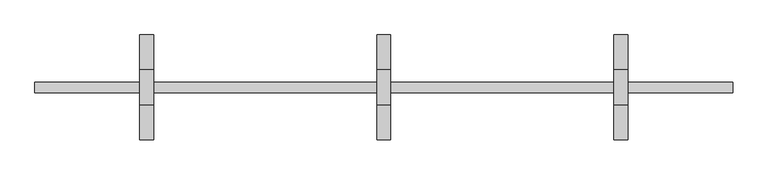
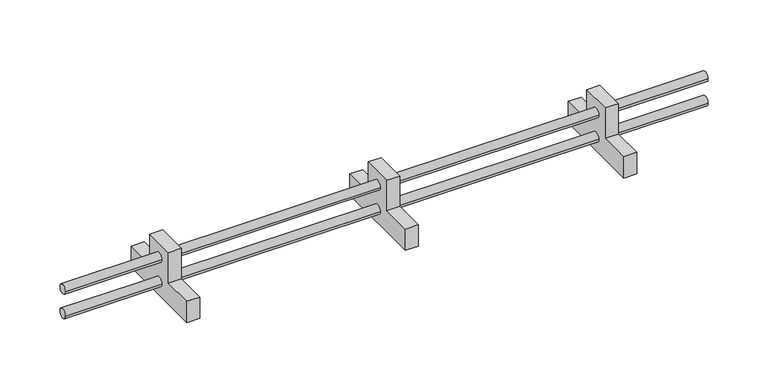
"""IFC4 building model written with IfcOpenShell, lengths in millimetres: proxy geometry."""

from ifc_helpers import new_model, si_unit, frame, origin, place, context, project, spatial, circle_curve, source, transform, mapped, element, save
from ifc_brep_helpers import plane_surface, cylinder_surface, advanced_brep


def generic_models_8f471b2d(model_context):
    return source(origin(), model_context, "Body", "AdvancedBrep", [
        advanced_brep(
        [(-1010.0, 150.0, 4123.0), (-1010.0, -150.0, 4123.0), (-1010.0, -150.0, 4193.0), (-1010.0, -50.0, 4193.0), (-1010.0, -50.0, 4293.0), (-1010.0, 50.0, 4293.0), (-1010.0, 50.0, 4193.0), (-1010.0, 150.0, 4193.0), (-1010.0, 15.0, 4248.0), (-1010.0, -15.0, 4248.0), (-1010.0, 15.0, 4168.0), (-1010.0, -15.0, 4168.0), (-970.0, 150.0, 4123.0), (-970.0, 150.0, 4193.0), (-970.0, 50.0, 4193.0), (-970.0, 50.0, 4293.0), (-970.0, -50.0, 4293.0), (-970.0, -50.0, 4193.0), (-970.0, -150.0, 4193.0), (-970.0, -150.0, 4123.0), (-970.0, -15.0, 4248.0), (-970.0, 15.0, 4248.0), (-970.0, -15.0, 4168.0), (-970.0, 15.0, 4168.0), (690.0, 15.0, 4248.0), (690.0, -15.0, 4248.0), (690.0, 15.0, 4168.0), (690.0, -15.0, 4168.0), (-1310.0, 15.0, 4248.0), (-1310.0, -15.0, 4248.0), (-1310.0, 15.0, 4168.0), (-1310.0, -15.0, 4168.0), (390.0, -15.0, 4248.0), (390.0, 15.0, 4248.0), (-330.0, 15.0, 4248.0), (-330.0, -15.0, 4248.0), (-290.0, 15.0, 4248.0), (350.0, 15.0, 4248.0), (350.0, -15.0, 4248.0), (-290.0, -15.0, 4248.0), (390.0, -15.0, 4168.0), (390.0, 15.0, 4168.0), (-330.0, 15.0, 4168.0), (-330.0, -15.0, 4168.0), (-290.0, 15.0, 4168.0), (350.0, 15.0, 4168.0), (350.0, -15.0, 4168.0), (-290.0, -15.0, 4168.0), (-290.0, 150.0, 4123.0), (-290.0, 150.0, 4193.0), (-290.0, 50.0, 4193.0), (-290.0, 50.0, 4293.0), (-290.0, -50.0, 4293.0), (-290.0, -50.0, 4193.0), (-290.0, -150.0, 4193.0), (-290.0, -150.0, 4123.0), (-330.0, 150.0, 4123.0), (-330.0, -150.0, 4123.0), (-330.0, -150.0, 4193.0), (-330.0, -50.0, 4193.0), (-330.0, -50.0, 4293.0), (-330.0, 50.0, 4293.0), (-330.0, 50.0, 4193.0), (-330.0, 150.0, 4193.0), (390.0, 150.0, 4123.0), (390.0, 150.0, 4193.0), (390.0, 50.0, 4193.0), (390.0, 50.0, 4293.0), (390.0, -50.0, 4293.0), (390.0, -50.0, 4193.0), (390.0, -150.0, 4193.0), (390.0, -150.0, 4123.0), (350.0, 150.0, 4123.0), (350.0, -150.0, 4123.0), (350.0, -150.0, 4193.0), (350.0, -50.0, 4193.0), (350.0, -50.0, 4293.0), (350.0, 50.0, 4293.0), (350.0, 50.0, 4193.0), (350.0, 150.0, 4193.0)],
        [
            (0, 1),
            (1, 2),
            (2, 3),
            (3, 4),
            (4, 5),
            (5, 6),
            (6, 7),
            (7, 0),
            (8, 9, circle_curve(frame((-1010.0, 0.0, 4248.0), z_axis=(1.0, 0.0, 0.0), x_axis=(0.0, -1.0, 0.0)), 15.0)),
            (9, 8, circle_curve(frame((-1010.0, 0.0, 4248.0), z_axis=(1.0, 0.0, 0.0), x_axis=(0.0, -1.0, 0.0)), 15.0)),
            (10, 11, circle_curve(frame((-1010.0, 0.0, 4168.0), z_axis=(1.0, 0.0, 0.0), x_axis=(0.0, -1.0, 0.0)), 15.0)),
            (11, 10, circle_curve(frame((-1010.0, 0.0, 4168.0), z_axis=(1.0, 0.0, 0.0), x_axis=(0.0, -1.0, 0.0)), 15.0)),
            (12, 13),
            (13, 14),
            (14, 15),
            (15, 16),
            (16, 17),
            (17, 18),
            (18, 19),
            (19, 12),
            (20, 21, circle_curve(frame((-970.0, 0.0, 4248.0), z_axis=(-1.0, 0.0, 0.0), x_axis=(0.0, -1.0, 0.0)), 15.0)),
            (21, 20, circle_curve(frame((-970.0, 0.0, 4248.0), z_axis=(-1.0, 0.0, 0.0), x_axis=(0.0, -1.0, 0.0)), 15.0)),
            (22, 23, circle_curve(frame((-970.0, 0.0, 4168.0), z_axis=(-1.0, 0.0, 0.0), x_axis=(0.0, -1.0, 0.0)), 15.0)),
            (23, 22, circle_curve(frame((-970.0, 0.0, 4168.0), z_axis=(-1.0, 0.0, 0.0), x_axis=(0.0, -1.0, 0.0)), 15.0)),
            (7, 13),
            (12, 0),
            (6, 14),
            (5, 15),
            (4, 16),
            (3, 17),
            (2, 18),
            (1, 19),
            (24, 25, circle_curve(frame((690.0, 0.0, 4248.0), z_axis=(1.0, 0.0, 0.0), x_axis=(0.0, -1.0, 0.0)), 15.0)),
            (25, 24, circle_curve(frame((690.0, 0.0, 4248.0), z_axis=(1.0, 0.0, 0.0), x_axis=(0.0, -1.0, 0.0)), 15.0)),
            (26, 27, circle_curve(frame((690.0, 0.0, 4168.0), z_axis=(1.0, 0.0, 0.0), x_axis=(0.0, -1.0, 0.0)), 15.0)),
            (27, 26, circle_curve(frame((690.0, 0.0, 4168.0), z_axis=(1.0, 0.0, 0.0), x_axis=(0.0, -1.0, 0.0)), 15.0)),
            (28, 29, circle_curve(frame((-1310.0, 0.0, 4248.0), z_axis=(-1.0, 0.0, 0.0), x_axis=(0.0, -1.0, 0.0)), 15.0)),
            (29, 28, circle_curve(frame((-1310.0, 0.0, 4248.0), z_axis=(-1.0, 0.0, 0.0), x_axis=(0.0, -1.0, 0.0)), 15.0)),
            (30, 31, circle_curve(frame((-1310.0, 0.0, 4168.0), z_axis=(-1.0, 0.0, 0.0), x_axis=(0.0, -1.0, 0.0)), 15.0)),
            (31, 30, circle_curve(frame((-1310.0, 0.0, 4168.0), z_axis=(-1.0, 0.0, 0.0), x_axis=(0.0, -1.0, 0.0)), 15.0)),
            (25, 32),
            (32, 33, circle_curve(frame((390.0, 0.0, 4248.0), z_axis=(1.0, 0.0, 0.0), x_axis=(0.0, -1.0, 0.0)), 15.0)),
            (33, 24),
            (28, 8),
            (9, 29),
            (21, 34),
            (34, 35, circle_curve(frame((-330.0, 0.0, 4248.0), z_axis=(-1.0, 0.0, 0.0), x_axis=(0.0, -1.0, 0.0)), 15.0)),
            (35, 20),
            (36, 37),
            (37, 38, circle_curve(frame((350.0, 0.0, 4248.0), z_axis=(-1.0, 0.0, 0.0), x_axis=(0.0, -1.0, 0.0)), 15.0)),
            (38, 39),
            (39, 36, circle_curve(frame((-290.0, 0.0, 4248.0), z_axis=(1.0, 0.0, 0.0), x_axis=(0.0, -1.0, 0.0)), 15.0)),
            (33, 32, circle_curve(frame((390.0, 0.0, 4248.0), z_axis=(1.0, 0.0, 0.0), x_axis=(0.0, -1.0, 0.0)), 15.0)),
            (35, 34, circle_curve(frame((-330.0, 0.0, 4248.0), z_axis=(-1.0, 0.0, 0.0), x_axis=(0.0, -1.0, 0.0)), 15.0)),
            (38, 37, circle_curve(frame((350.0, 0.0, 4248.0), z_axis=(-1.0, 0.0, 0.0), x_axis=(0.0, -1.0, 0.0)), 15.0)),
            (36, 39, circle_curve(frame((-290.0, 0.0, 4248.0), z_axis=(1.0, 0.0, 0.0), x_axis=(0.0, -1.0, 0.0)), 15.0)),
            (27, 40),
            (40, 41, circle_curve(frame((390.0, 0.0, 4168.0), z_axis=(1.0, 0.0, 0.0), x_axis=(0.0, -1.0, 0.0)), 15.0)),
            (41, 26),
            (30, 10),
            (11, 31),
            (23, 42),
            (42, 43, circle_curve(frame((-330.0, 0.0, 4168.0), z_axis=(-1.0, 0.0, 0.0), x_axis=(0.0, -1.0, 0.0)), 15.0)),
            (43, 22),
            (44, 45),
            (45, 46, circle_curve(frame((350.0, 0.0, 4168.0), z_axis=(-1.0, 0.0, 0.0), x_axis=(0.0, -1.0, 0.0)), 15.0)),
            (46, 47),
            (47, 44, circle_curve(frame((-290.0, 0.0, 4168.0), z_axis=(1.0, 0.0, 0.0), x_axis=(0.0, -1.0, 0.0)), 15.0)),
            (41, 40, circle_curve(frame((390.0, 0.0, 4168.0), z_axis=(1.0, 0.0, 0.0), x_axis=(0.0, -1.0, 0.0)), 15.0)),
            (43, 42, circle_curve(frame((-330.0, 0.0, 4168.0), z_axis=(-1.0, 0.0, 0.0), x_axis=(0.0, -1.0, 0.0)), 15.0)),
            (46, 45, circle_curve(frame((350.0, 0.0, 4168.0), z_axis=(-1.0, 0.0, 0.0), x_axis=(0.0, -1.0, 0.0)), 15.0)),
            (44, 47, circle_curve(frame((-290.0, 0.0, 4168.0), z_axis=(1.0, 0.0, 0.0), x_axis=(0.0, -1.0, 0.0)), 15.0)),
            (48, 49),
            (49, 50),
            (50, 51),
            (51, 52),
            (52, 53),
            (53, 54),
            (54, 55),
            (55, 48),
            (56, 57),
            (57, 58),
            (58, 59),
            (59, 60),
            (60, 61),
            (61, 62),
            (62, 63),
            (63, 56),
            (55, 57),
            (56, 48),
            (54, 58),
            (53, 59),
            (52, 60),
            (51, 61),
            (50, 62),
            (49, 63),
            (64, 65),
            (65, 66),
            (66, 67),
            (67, 68),
            (68, 69),
            (69, 70),
            (70, 71),
            (71, 64),
            (72, 73),
            (73, 74),
            (74, 75),
            (75, 76),
            (76, 77),
            (77, 78),
            (78, 79),
            (79, 72),
            (71, 73),
            (72, 64),
            (70, 74),
            (69, 75),
            (68, 76),
            (67, 77),
            (66, 78),
            (65, 79),
        ],
        [
            plane_surface(frame((-1010.0, 150.0, 4123.0), z_axis=(-1.0, 0.0, 0.0), x_axis=(0.0, 0.0, 1.0))),
            plane_surface(frame((-970.0, 150.0, 4123.0), z_axis=(1.0, 0.0, 0.0), x_axis=(0.0, 0.0, -1.0))),
            plane_surface(frame((-1010.0, 150.0, 4123.0), z_axis=(0.0, 1.0, 0.0), x_axis=(1.0, 0.0, 0.0))),
            plane_surface(frame((-1010.0, 150.0, 4193.0), z_axis=(0.0, 0.0, 1.0), x_axis=(1.0, 0.0, 0.0))),
            plane_surface(frame((-1010.0, 50.0, 4193.0), z_axis=(0.0, 1.0, 0.0), x_axis=(1.0, 0.0, 0.0))),
            plane_surface(frame((-1010.0, 50.0, 4293.0), z_axis=(0.0, 0.0, 1.0), x_axis=(1.0, 0.0, 0.0))),
            plane_surface(frame((-1010.0, -50.0, 4293.0), z_axis=(0.0, -1.0, 0.0), x_axis=(1.0, 0.0, 0.0))),
            plane_surface(frame((-1010.0, -50.0, 4193.0), z_axis=(0.0, 0.0, 1.0), x_axis=(1.0, 0.0, 0.0))),
            plane_surface(frame((-1010.0, -150.0, 4193.0), z_axis=(0.0, -1.0, 0.0), x_axis=(1.0, 0.0, 0.0))),
            plane_surface(frame((-1010.0, -150.0, 4123.0), z_axis=(0.0, 0.0, -1.0), x_axis=(1.0, 0.0, 0.0))),
            plane_surface(frame((690.0, -15.0, 4248.0), z_axis=(1.0, 0.0, 0.0), x_axis=(0.0, 0.0, 1.0))),
            plane_surface(frame((-1310.0, -15.0, 4248.0), z_axis=(-1.0, 0.0, 0.0), x_axis=(0.0, 0.0, -1.0))),
            cylinder_surface(frame((-1310.0, 0.0, 4248.0), z_axis=(1.0, 0.0, 0.0), x_axis=(0.0, -1.0, 0.0)), 15.0),
            cylinder_surface(frame((-1560.0, 0.0, 4168.0), z_axis=(1.0, 0.0, 0.0), x_axis=(0.0, -1.0, 0.0)), 15.0),
            plane_surface(frame((-290.0, -150.0, 4123.0), z_axis=(1.0, 0.0, 0.0), x_axis=(0.0, -1.0, 0.0))),
            plane_surface(frame((-330.0, -150.0, 4123.0), z_axis=(-1.0, 0.0, 0.0), x_axis=(0.0, 1.0, 0.0))),
            plane_surface(frame((-290.0, 150.0, 4123.0), z_axis=(0.0, 0.0, -1.0), x_axis=(-1.0, 0.0, 0.0))),
            plane_surface(frame((-290.0, -150.0, 4123.0), z_axis=(0.0, -1.0, 0.0), x_axis=(-1.0, 0.0, 0.0))),
            plane_surface(frame((-290.0, -150.0, 4193.0), z_axis=(0.0, 0.0, 1.0), x_axis=(-1.0, 0.0, 0.0))),
            plane_surface(frame((-290.0, -50.0, 4193.0), z_axis=(0.0, -1.0, 0.0), x_axis=(-1.0, 0.0, 0.0))),
            plane_surface(frame((-290.0, -50.0, 4293.0), z_axis=(0.0, 0.0, 1.0), x_axis=(-1.0, 0.0, 0.0))),
            plane_surface(frame((-290.0, 50.0, 4293.0), z_axis=(0.0, 1.0, 0.0), x_axis=(-1.0, 0.0, 0.0))),
            plane_surface(frame((-290.0, 50.0, 4193.0), z_axis=(0.0, 0.0, 1.0), x_axis=(-1.0, 0.0, 0.0))),
            plane_surface(frame((-290.0, 150.0, 4193.0), z_axis=(0.0, 1.0, 0.0), x_axis=(-1.0, 0.0, 0.0))),
            plane_surface(frame((390.0, -150.0, 4123.0), z_axis=(1.0, 0.0, 0.0), x_axis=(0.0, -1.0, 0.0))),
            plane_surface(frame((350.0, -150.0, 4123.0), z_axis=(-1.0, 0.0, 0.0), x_axis=(0.0, 1.0, 0.0))),
            plane_surface(frame((390.0, 150.0, 4123.0), z_axis=(0.0, 0.0, -1.0), x_axis=(-1.0, 0.0, 0.0))),
            plane_surface(frame((390.0, -150.0, 4123.0), z_axis=(0.0, -1.0, 0.0), x_axis=(-1.0, 0.0, 0.0))),
            plane_surface(frame((390.0, -150.0, 4193.0), z_axis=(0.0, 0.0, 1.0), x_axis=(-1.0, 0.0, 0.0))),
            plane_surface(frame((390.0, -50.0, 4193.0), z_axis=(0.0, -1.0, 0.0), x_axis=(-1.0, 0.0, 0.0))),
            plane_surface(frame((390.0, -50.0, 4293.0), z_axis=(0.0, 0.0, 1.0), x_axis=(-1.0, 0.0, 0.0))),
            plane_surface(frame((390.0, 50.0, 4293.0), z_axis=(0.0, 1.0, 0.0), x_axis=(-1.0, 0.0, 0.0))),
            plane_surface(frame((390.0, 50.0, 4193.0), z_axis=(0.0, 0.0, 1.0), x_axis=(-1.0, 0.0, 0.0))),
            plane_surface(frame((390.0, 150.0, 4193.0), z_axis=(0.0, 1.0, 0.0), x_axis=(-1.0, 0.0, 0.0))),
        ],
        [
            (0, [[1, 2, 3, 4, 5, 6, 7, 8], [9, 10], [11, 12]]),
            (1, [[13, 14, 15, 16, 17, 18, 19, 20], [21, 22], [23, 24]]),
            (2, [[25, -13, 26, -8]]),
            (3, [[27, -14, -25, -7]]),
            (4, [[28, -15, -27, -6]]),
            (5, [[29, -16, -28, -5]]),
            (6, [[30, -17, -29, -4]]),
            (7, [[31, -18, -30, -3]]),
            (8, [[32, -19, -31, -2]]),
            (9, [[-26, -20, -32, -1]]),
            (10, [[33, 34]]),
            (10, [[35, 36]]),
            (11, [[37, 38]]),
            (11, [[39, 40]]),
            (12, [[41, 42, 43, -34]]),
            (12, [[44, -10, 45, -37]]),
            (12, [[46, 47, 48, -22]]),
            (12, [[49, 50, 51, 52]]),
            (12, [[-43, 53, -41, -33]]),
            (12, [[-45, -9, -44, -38]]),
            (12, [[-48, 54, -46, -21]]),
            (12, [[-51, 55, -49, 56]]),
            (13, [[57, 58, 59, -36]]),
            (13, [[60, -12, 61, -39]]),
            (13, [[62, 63, 64, -24]]),
            (13, [[65, 66, 67, 68]]),
            (13, [[-59, 69, -57, -35]]),
            (13, [[-61, -11, -60, -40]]),
            (13, [[-64, 70, -62, -23]]),
            (13, [[-67, 71, -65, 72]]),
            (14, [[73, 74, 75, 76, 77, 78, 79, 80], [-56, -52], [-72, -68]]),
            (15, [[81, 82, 83, 84, 85, 86, 87, 88], [-54, -47], [-70, -63]]),
            (16, [[89, -81, 90, -80]]),
            (17, [[91, -82, -89, -79]]),
            (18, [[92, -83, -91, -78]]),
            (19, [[93, -84, -92, -77]]),
            (20, [[94, -85, -93, -76]]),
            (21, [[95, -86, -94, -75]]),
            (22, [[96, -87, -95, -74]]),
            (23, [[-90, -88, -96, -73]]),
            (24, [[97, 98, 99, 100, 101, 102, 103, 104], [-53, -42], [-69, -58]]),
            (25, [[105, 106, 107, 108, 109, 110, 111, 112], [-55, -50], [-71, -66]]),
            (26, [[113, -105, 114, -104]]),
            (27, [[115, -106, -113, -103]]),
            (28, [[116, -107, -115, -102]]),
            (29, [[117, -108, -116, -101]]),
            (30, [[118, -109, -117, -100]]),
            (31, [[119, -110, -118, -99]]),
            (32, [[120, -111, -119, -98]]),
            (33, [[-114, -112, -120, -97]]),
        ],
    ),
    ])


if __name__ == "__main__":
    model = new_model("IFC4")
    model_context = context("Model", 3, world=origin())
    ifc_project = project(units=[si_unit("LENGTHUNIT", "METRE", prefix="MILLI")], contexts=[model_context])
    site = spatial("IfcSite", under=ifc_project)
    building = spatial("IfcBuilding", under=site)
    placement = place(None, origin())
    generic_models_shape = generic_models_8f471b2d(model_context)
    element("IfcBuildingElementProxy", 1, Name="Generic Models", at=placement, inside=building, context=model_context, shape_type="MappedRepresentation", body=[
        mapped(generic_models_shape, transform((0.0, 0.0, 0.0), x_axis=(1.0, 0.0, 0.0), y_axis=(0.0, 1.0, 0.0), z_axis=(0.0, 0.0, 1.0))),
    ])
    save(model, "model.ifc")
